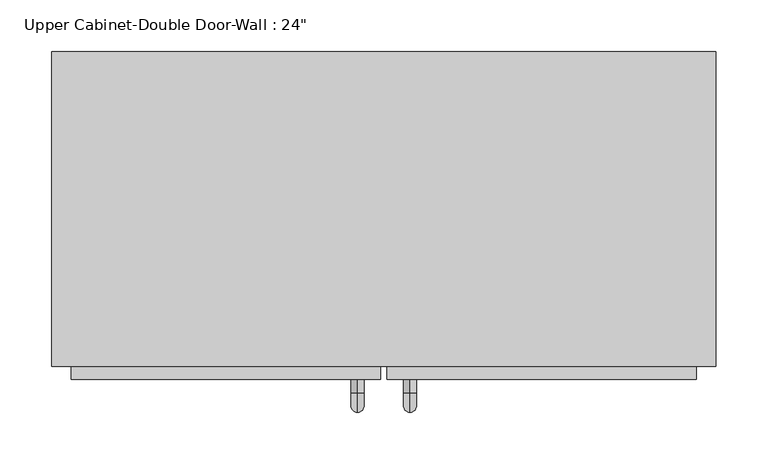
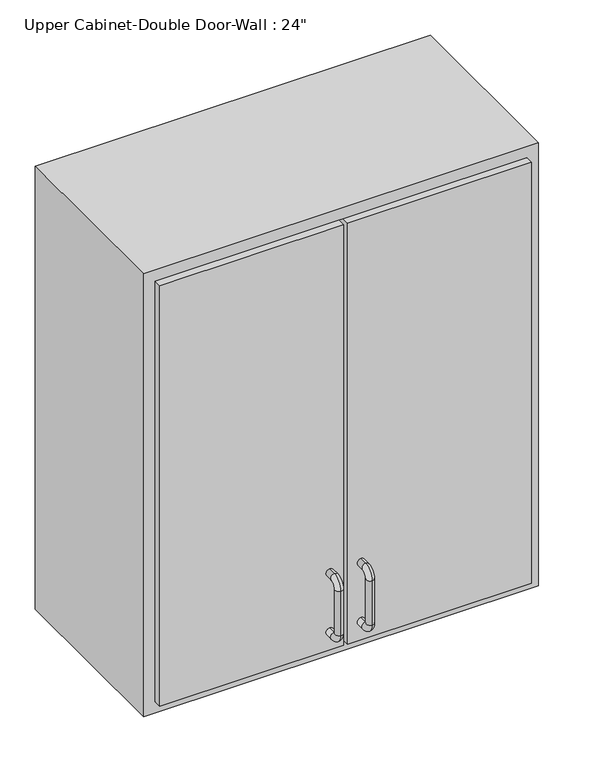
"""IFC4 building model written with IfcOpenShell, lengths in millimetres: furniture geometry."""

from ifc_helpers import new_model, si_unit, point, frame, origin, place, context, project, spatial, polyline, circle_curve, ellipse_curve, trimmed, outline, extrude, faceted_brep, source, transform, mapped, element, save
from ifc_brep_helpers import plane_surface, cylinder_surface, revolved_surface, advanced_brep


def furniture_8634c824(model_context):
    return source(origin(), model_context, "Body", "SolidModel", [
        faceted_brep([(-291.7857108, -50.8, 2133.6), (351.3280364, -50.8, 2133.6), (351.3280364, -50.8, 1371.6), (-291.7857108, -50.8, 1371.6), (-291.7857108, -355.6, 2133.6), (-291.7857108, -355.6, 1371.6), (351.3280364, -355.6, 1371.6), (351.3280364, -355.6, 2133.6), (-272.7357108, -355.6, 2114.55), (332.2780364, -355.6, 2114.55), (332.2780364, -355.6, 1390.65), (-272.7357108, -355.6, 1390.65), (-272.7357108, -69.85, 2114.55), (332.2780364, -69.85, 2114.55), (332.2780364, -69.85, 1390.65), (-272.7357108, -69.85, 1390.65)], [[[0, 1, 2, 3]], [[4, 5, 6, 7], [8, 9, 10, 11]], [[3, 5, 4, 0]], [[2, 6, 5, 3]], [[1, 7, 6, 2]], [[0, 4, 7, 1]], [[8, 12, 13, 9]], [[9, 13, 14, 10]], [[10, 14, 15, 11]], [[11, 15, 12, 8]], [[12, 15, 14, 13]]]),
        advanced_brep(
        [(55.1711628, -368.3, 1517.65), (55.1711628, -368.3, 1530.35), (55.1711628, -381.0, 1530.35), (55.1711628, -381.0, 1517.65), (55.1711628, -400.05, 1511.3), (55.1711628, -387.35, 1511.3), (55.1711628, -400.05, 1435.1), (55.1711628, -387.35, 1435.1), (55.1711628, -381.0, 1416.05), (55.1711628, -381.0, 1428.75), (55.1711628, -368.3, 1428.75), (55.1711628, -368.3, 1416.05)],
        [
            (0, 1, circle_curve(frame((55.1711628, -368.3, 1524.0), z_axis=(0.0, 1.0, 0.0), x_axis=(0.0, 0.0, -1.0)), 6.35)),
            (1, 0, circle_curve(frame((55.1711628, -368.3, 1524.0), z_axis=(0.0, 1.0, 0.0), x_axis=(0.0, 0.0, -1.0)), 6.35)),
            (1, 2),
            (2, 3, circle_curve(frame((55.1711628, -381.0, 1524.0), z_axis=(0.0, 1.0, 0.0), x_axis=(0.0, 0.0, -1.0)), 6.35)),
            (3, 0),
            (3, 2, circle_curve(frame((55.1711628, -381.0, 1524.0), z_axis=(0.0, 1.0, 0.0), x_axis=(0.0, 0.0, -1.0)), 6.35)),
            (4, 5, circle_curve(frame((55.1711628, -393.7, 1511.3), z_axis=(0.0, 0.0, 1.0), x_axis=(0.0, 1.0, 0.0)), 6.35)),
            (5, 3, circle_curve(frame((55.1711628, -381.0, 1511.3), z_axis=(-1.0, 0.0, 0.0), x_axis=(0.0, 0.0, 1.0)), 6.35)),
            (2, 4, circle_curve(frame((55.1711628, -381.0, 1511.3), z_axis=(1.0, 0.0, 0.0), x_axis=(0.0, 0.0, 1.0)), 19.05)),
            (5, 4, circle_curve(frame((55.1711628, -393.7, 1511.3), z_axis=(0.0, 0.0, 1.0), x_axis=(0.0, 1.0, 0.0)), 6.35)),
            (4, 6),
            (6, 7, circle_curve(frame((55.1711628, -393.7, 1435.1), z_axis=(0.0, 0.0, 1.0), x_axis=(0.0, 1.0, 0.0)), 6.35)),
            (7, 5),
            (7, 6, circle_curve(frame((55.1711628, -393.7, 1435.1), z_axis=(0.0, 0.0, 1.0), x_axis=(0.0, 1.0, 0.0)), 6.35)),
            (8, 9, circle_curve(frame((55.1711628, -381.0, 1422.4), z_axis=(0.0, -1.0, 0.0), x_axis=(0.0, 0.0, 1.0)), 6.35)),
            (9, 7, circle_curve(frame((55.1711628, -381.0, 1435.1), z_axis=(-1.0, 0.0, 0.0), x_axis=(0.0, -1.0, 0.0)), 6.35)),
            (6, 8, circle_curve(frame((55.1711628, -381.0, 1435.1), z_axis=(1.0, 0.0, 0.0), x_axis=(0.0, -1.0, 0.0)), 19.05)),
            (9, 8, circle_curve(frame((55.1711628, -381.0, 1422.4), z_axis=(0.0, -1.0, 0.0), x_axis=(0.0, 0.0, 1.0)), 6.35)),
            (10, 11, circle_curve(frame((55.1711628, -368.3, 1422.4), z_axis=(0.0, 1.0, 0.0), x_axis=(0.0, 0.0, 1.0)), 6.35)),
            (11, 10, circle_curve(frame((55.1711628, -368.3, 1422.4), z_axis=(0.0, 1.0, 0.0), x_axis=(0.0, 0.0, 1.0)), 6.35)),
            (8, 11),
            (10, 9),
        ],
        [
            plane_surface(frame((48.8211628, -368.3, 1524.0), z_axis=(0.0, 1.0, 0.0), x_axis=(0.0, 0.0, 1.0))),
            cylinder_surface(frame((55.1711628, -368.3, 1524.0), z_axis=(0.0, 1.0, 0.0), x_axis=(0.0, 0.0, -1.0)), 6.35),
            revolved_surface(trimmed(ellipse_curve(frame((55.1711628, -381.0, 1524.0), z_axis=(0.0, -1.0, 0.0), x_axis=(0.0, 0.0, -1.0)), 6.35, 6.35), [point((55.1711628, -381.0, 1517.65))], [point((55.1711628, -381.0, 1530.35))], True, "CARTESIAN"), (55.1711628, -381.0, 1511.3), (-1.0, 0.0, 0.0)),
            revolved_surface(trimmed(ellipse_curve(frame((55.1711628, -381.0, 1524.0), z_axis=(0.0, -1.0, 0.0), x_axis=(0.0, 0.0, -1.0)), 6.35, 6.35), [point((55.1711628, -381.0, 1530.35))], [point((55.1711628, -381.0, 1517.65))], True, "CARTESIAN"), (55.1711628, -381.0, 1511.3), (-1.0, 0.0, 0.0)),
            cylinder_surface(frame((55.1711628, -393.7, 1511.3), z_axis=(0.0, 0.0, 1.0), x_axis=(0.0, 1.0, 0.0)), 6.35),
            revolved_surface(trimmed(ellipse_curve(frame((55.1711628, -393.7, 1435.1), z_axis=(0.0, 0.0, -1.0), x_axis=(0.0, 1.0, 0.0)), 6.35, 6.35), [point((55.1711628, -387.35, 1435.1))], [point((55.1711628, -400.05, 1435.1))], True, "CARTESIAN"), (55.1711628, -381.0, 1435.1), (-1.0, 0.0, 0.0)),
            revolved_surface(trimmed(ellipse_curve(frame((55.1711628, -393.7, 1435.1), z_axis=(0.0, 0.0, -1.0), x_axis=(0.0, 1.0, 0.0)), 6.35, 6.35), [point((55.1711628, -400.05, 1435.1))], [point((55.1711628, -387.35, 1435.1))], True, "CARTESIAN"), (55.1711628, -381.0, 1435.1), (-1.0, 0.0, 0.0)),
            plane_surface(frame((48.8211628, -368.3, 1422.4), z_axis=(0.0, 1.0, 0.0), x_axis=(0.0, 0.0, -1.0))),
            cylinder_surface(frame((55.1711628, -381.0, 1422.4), z_axis=(0.0, -1.0, 0.0), x_axis=(0.0, 0.0, 1.0)), 6.35),
        ],
        [
            (0, [[1, 2]]),
            (1, [[3, 4, 5, -2]]),
            (1, [[-5, 6, -3, -1]]),
            (2, [[7, 8, -4, 9]]),
            (3, [[10, -9, -6, -8]]),
            (4, [[11, 12, 13, -7]]),
            (4, [[-13, 14, -11, -10]]),
            (5, [[15, 16, -12, 17]]),
            (6, [[18, -17, -14, -16]]),
            (7, [[19, 20]]),
            (8, [[21, -19, 22, -15]]),
            (8, [[-22, -20, -21, -18]]),
        ],
    ),
        advanced_brep(
        [(4.3711628, -368.3, 1517.65), (4.3711628, -368.3, 1530.35), (4.3711628, -381.0, 1530.35), (4.3711628, -381.0, 1517.65), (4.3711628, -400.05, 1511.3), (4.3711628, -387.35, 1511.3), (4.3711628, -400.05, 1435.1), (4.3711628, -387.35, 1435.1), (4.3711628, -381.0, 1416.05), (4.3711628, -381.0, 1428.75), (4.3711628, -368.3, 1428.75), (4.3711628, -368.3, 1416.05)],
        [
            (0, 1, circle_curve(frame((4.3711628, -368.3, 1524.0), z_axis=(0.0, 1.0, 0.0), x_axis=(0.0, 0.0, 1.0)), 6.35)),
            (1, 0, circle_curve(frame((4.3711628, -368.3, 1524.0), z_axis=(0.0, 1.0, 0.0), x_axis=(0.0, 0.0, 1.0)), 6.35)),
            (1, 2),
            (2, 3, circle_curve(frame((4.3711628, -381.0, 1524.0), z_axis=(0.0, 1.0, 0.0), x_axis=(0.0, 0.0, 1.0)), 6.35)),
            (3, 0),
            (3, 2, circle_curve(frame((4.3711628, -381.0, 1524.0), z_axis=(0.0, 1.0, 0.0), x_axis=(0.0, 0.0, 1.0)), 6.35)),
            (4, 5, circle_curve(frame((4.3711628, -393.7, 1511.3), z_axis=(0.0, 0.0, 1.0), x_axis=(0.0, -1.0, 0.0)), 6.35)),
            (5, 3, circle_curve(frame((4.3711628, -381.0, 1511.3), z_axis=(-1.0, 0.0, 0.0), x_axis=(0.0, 0.0, 1.0)), 6.35)),
            (2, 4, circle_curve(frame((4.3711628, -381.0, 1511.3), z_axis=(1.0, 0.0, 0.0), x_axis=(0.0, 0.0, 1.0)), 19.05)),
            (5, 4, circle_curve(frame((4.3711628, -393.7, 1511.3), z_axis=(0.0, 0.0, 1.0), x_axis=(0.0, -1.0, 0.0)), 6.35)),
            (4, 6),
            (6, 7, circle_curve(frame((4.3711628, -393.7, 1435.1), z_axis=(0.0, 0.0, 1.0), x_axis=(0.0, -1.0, 0.0)), 6.35)),
            (7, 5),
            (7, 6, circle_curve(frame((4.3711628, -393.7, 1435.1), z_axis=(0.0, 0.0, 1.0), x_axis=(0.0, -1.0, 0.0)), 6.35)),
            (8, 9, circle_curve(frame((4.3711628, -381.0, 1422.4), z_axis=(0.0, -1.0, 0.0), x_axis=(0.0, 0.0, -1.0)), 6.35)),
            (9, 7, circle_curve(frame((4.3711628, -381.0, 1435.1), z_axis=(-1.0, 0.0, 0.0), x_axis=(0.0, -1.0, 0.0)), 6.35)),
            (6, 8, circle_curve(frame((4.3711628, -381.0, 1435.1), z_axis=(1.0, 0.0, 0.0), x_axis=(0.0, -1.0, 0.0)), 19.05)),
            (9, 8, circle_curve(frame((4.3711628, -381.0, 1422.4), z_axis=(0.0, -1.0, 0.0), x_axis=(0.0, 0.0, -1.0)), 6.35)),
            (10, 11, circle_curve(frame((4.3711628, -368.3, 1422.4), z_axis=(0.0, 1.0, 0.0), x_axis=(0.0, 0.0, -1.0)), 6.35)),
            (11, 10, circle_curve(frame((4.3711628, -368.3, 1422.4), z_axis=(0.0, 1.0, 0.0), x_axis=(0.0, 0.0, -1.0)), 6.35)),
            (8, 11),
            (10, 9),
        ],
        [
            plane_surface(frame((-1.9788372, -368.3, 1524.0), z_axis=(0.0, 1.0, 0.0), x_axis=(0.0, 0.0, 1.0))),
            cylinder_surface(frame((4.3711628, -368.3, 1524.0), z_axis=(0.0, 1.0, 0.0), x_axis=(0.0, 0.0, 1.0)), 6.35),
            revolved_surface(trimmed(ellipse_curve(frame((4.3711628, -381.0, 1524.0), z_axis=(0.0, -1.0, 0.0), x_axis=(0.0, 0.0, 1.0)), 6.35, 6.35), [point((4.3711628, -381.0, 1517.65))], [point((4.3711628, -381.0, 1530.35))], True, "CARTESIAN"), (4.3711628, -381.0, 1511.3), (-1.0, 0.0, 0.0)),
            revolved_surface(trimmed(ellipse_curve(frame((4.3711628, -381.0, 1524.0), z_axis=(0.0, -1.0, 0.0), x_axis=(0.0, 0.0, 1.0)), 6.35, 6.35), [point((4.3711628, -381.0, 1530.35))], [point((4.3711628, -381.0, 1517.65))], True, "CARTESIAN"), (4.3711628, -381.0, 1511.3), (-1.0, 0.0, 0.0)),
            cylinder_surface(frame((4.3711628, -393.7, 1511.3), z_axis=(0.0, 0.0, 1.0), x_axis=(0.0, -1.0, 0.0)), 6.35),
            revolved_surface(trimmed(ellipse_curve(frame((4.3711628, -393.7, 1435.1), z_axis=(0.0, 0.0, -1.0), x_axis=(0.0, -1.0, 0.0)), 6.35, 6.35), [point((4.3711628, -387.35, 1435.1))], [point((4.3711628, -400.05, 1435.1))], True, "CARTESIAN"), (4.3711628, -381.0, 1435.1), (-1.0, 0.0, 0.0)),
            revolved_surface(trimmed(ellipse_curve(frame((4.3711628, -393.7, 1435.1), z_axis=(0.0, 0.0, -1.0), x_axis=(0.0, -1.0, 0.0)), 6.35, 6.35), [point((4.3711628, -400.05, 1435.1))], [point((4.3711628, -387.35, 1435.1))], True, "CARTESIAN"), (4.3711628, -381.0, 1435.1), (-1.0, 0.0, 0.0)),
            plane_surface(frame((-1.9788372, -368.3, 1422.4), z_axis=(0.0, 1.0, 0.0), x_axis=(0.0, 0.0, -1.0))),
            cylinder_surface(frame((4.3711628, -381.0, 1422.4), z_axis=(0.0, -1.0, 0.0), x_axis=(0.0, 0.0, -1.0)), 6.35),
        ],
        [
            (0, [[1, 2]]),
            (1, [[3, 4, 5, -2]]),
            (1, [[-5, 6, -3, -1]]),
            (2, [[7, 8, -4, 9]]),
            (3, [[10, -9, -6, -8]]),
            (4, [[11, 12, 13, -7]]),
            (4, [[-13, 14, -11, -10]]),
            (5, [[15, 16, -12, 17]]),
            (6, [[18, -17, -14, -16]]),
            (7, [[19, 20]]),
            (8, [[21, -19, 22, -15]]),
            (8, [[-22, -20, -21, -18]]),
        ],
    ),
        extrude(outline(polyline([(32.9461628, -368.3), (32.9461628, -336.55), (332.2780364, -336.55), (332.2780364, -368.3), (32.9461628, -368.3)])), frame((0.0, 0.0, 1390.65), z_axis=(0.0, 0.0, 1.0), x_axis=(1.0, 0.0, 0.0)), (0.0, 0.0, 1.0), 723.9),
        extrude(outline(polyline([(-272.7357108, -368.3), (-272.7357108, -336.55), (26.5961628, -336.55), (26.5961628, -368.3), (-272.7357108, -368.3)])), frame((0.0, 0.0, 1390.65), z_axis=(0.0, 0.0, 1.0), x_axis=(1.0, 0.0, 0.0)), (0.0, 0.0, 1.0), 723.9),
    ])


if __name__ == "__main__":
    model = new_model("IFC4")
    model_context = context("Model", 3, world=origin())
    ifc_project = project(units=[si_unit("LENGTHUNIT", "METRE", prefix="MILLI")], contexts=[model_context])
    site = spatial("IfcSite", under=ifc_project)
    building = spatial("IfcBuilding", under=site)
    placement = place(None, origin())
    furniture_shape = furniture_8634c824(model_context)
    element("IfcFurniture", 1, ObjectType="Upper Cabinet-Double Door-Wall : 24\"", at=placement, inside=building, context=model_context, shape_type="MappedRepresentation", body=[
        mapped(furniture_shape, transform((0.0, 0.0, 0.0), x_axis=(1.0, 0.0, 0.0), y_axis=(0.0, 1.0, 0.0), z_axis=(0.0, 0.0, 1.0))),
    ])
    save(model, "model.ifc")
